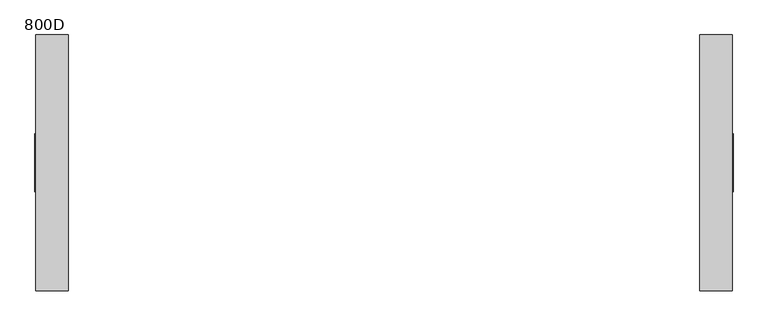
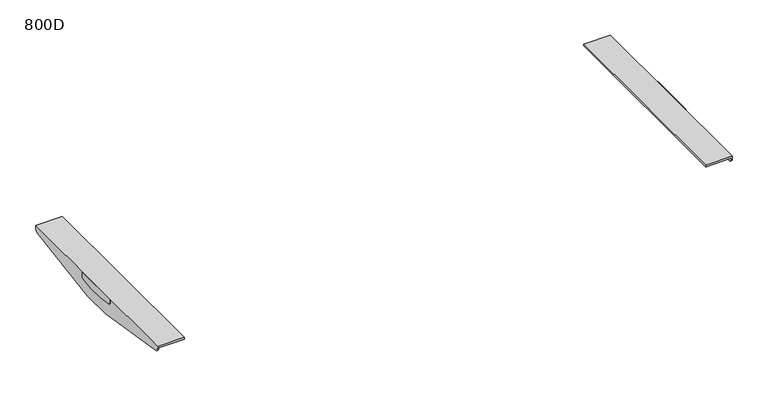
"""IFC4 building model written with IfcOpenShell, lengths in millimetres: furniture geometry, 800D."""

from ifc_helpers import new_model, si_unit, point, frame, frame_2d, origin, place, context, project, spatial, polyline, circle_curve, trimmed, segment, composite_curve, outline, extrude, source, transform, mapped, element, save
from ifc_brep_helpers import plane_surface, cylinder_surface, advanced_brep


def furniture_800d_0e24cc33(model_context):
    return source(origin(), model_context, "Body", "SolidModel", [
        advanced_brep(
        [(783.0000006, 287.4963324, 716.0), (783.0000006, 287.4963324, 708.4998128), (780.0000009, 287.4963324, 708.4998128), (780.0000009, 287.4963324, 710.4999723), (710.0000017, 287.4963324, 710.4999723), (710.0000017, 287.4963324, 716.0), (780.0000009, -287.5036993, 710.4999723), (780.0000009, -287.5036993, 708.4997591), (783.0000006, -287.5036993, 708.4997591), (783.0000006, -287.5036993, 716.0), (710.0000017, -287.5036993, 716.0), (710.0000017, -287.5036993, 710.4999723), (780.0000009, 279.1076002, 698.6304207), (780.0000009, 42.4967459, 660.0), (780.0000009, -42.5041219, 660.0), (780.0000009, -279.1150126, 698.6304207), (783.0000006, -279.1150126, 698.6304207), (783.0000006, -42.5041219, 660.0), (783.0000006, 42.4967459, 660.0), (783.0000006, 279.1076002, 698.6304207)],
        [
            (0, 1),
            (1, 2),
            (2, 3),
            (3, 4),
            (4, 5),
            (5, 0),
            (6, 7),
            (7, 8),
            (8, 9),
            (9, 10),
            (10, 11),
            (11, 6),
            (2, 12, circle_curve(frame((780.0000009, 277.4962677, 708.4998128), z_axis=(-1.0, 0.0, 0.0), x_axis=(0.0, -1.0, 0.0)), 10.0000647)),
            (12, 13),
            (13, 14),
            (14, 15),
            (15, 7, circle_curve(frame((780.0000009, -277.503689, 708.4997591), z_axis=(-1.0, 0.0, 0.0), x_axis=(0.0, -1.0, 0.0)), 10.0000103)),
            (6, 3),
            (11, 4),
            (10, 5),
            (9, 0),
            (8, 16, circle_curve(frame((783.0000006, -277.503689, 708.4997591), z_axis=(1.0, 0.0, 0.0), x_axis=(0.0, -1.0, 0.0)), 10.0000103)),
            (16, 17),
            (17, 18),
            (18, 19),
            (19, 1, circle_curve(frame((783.0000006, 277.4962677, 708.4998128), z_axis=(1.0, 0.0, 0.0), x_axis=(0.0, -1.0, 0.0)), 10.0000647)),
            (17, 14),
            (13, 18),
            (16, 15),
            (12, 19),
        ],
        [
            plane_surface(frame((783.0000006, 287.4963324, 660.0), z_axis=(0.0, 1.0, 0.0), x_axis=(1.0, 0.0, 0.0))),
            plane_surface(frame((783.0000006, -287.5036993, 660.0), z_axis=(0.0, -1.0, 0.0), x_axis=(-1.0, 0.0, 0.0))),
            plane_surface(frame((780.0000009, 287.4963324, 710.4999723), z_axis=(-1.0, 0.0, 0.0), x_axis=(0.0, -1.0, 0.0))),
            plane_surface(frame((710.0000017, 287.4963324, 710.4999723), z_axis=(0.0, 0.0, -1.0), x_axis=(0.0, -1.0, 0.0))),
            plane_surface(frame((710.0000017, 287.4963324, 716.0), z_axis=(-1.0, 0.0, 0.0), x_axis=(0.0, -1.0, 0.0))),
            plane_surface(frame((783.0000006, 287.4963324, 716.0), z_axis=(0.0, 0.0, 1.0), x_axis=(0.0, -1.0, 0.0))),
            plane_surface(frame((783.0000006, 287.4963324, 660.0), z_axis=(1.0, 0.0, 0.0), x_axis=(0.0, -1.0, 0.0))),
            plane_surface(frame((780.0000009, 287.4963324, 660.0), z_axis=(0.0, 0.0, -1.0), x_axis=(0.0, -1.0, 0.0))),
            plane_surface(frame((710.0000017, -42.5041219, 660.0), z_axis=(0.0, -0.16113218812194072, -0.9869328335560813), x_axis=(1.0, 0.0, 0.0))),
            cylinder_surface(frame((785.0, -277.503689, 708.4997591), z_axis=(1.0, 0.0, 0.0), x_axis=(0.0, -1.0, 0.0)), 10.0000103),
            plane_surface(frame((710.0000017, 279.1076002, 698.6304207), z_axis=(0.0, 0.16113221222328436, -0.9869328296211605), x_axis=(1.0, 0.0, 0.0))),
            cylinder_surface(frame((1200.0, 277.4962677, 708.4998128), z_axis=(1.0, 0.0, 0.0), x_axis=(0.0, -1.0, 0.0)), 10.0000647),
        ],
        [
            (0, [[1, 2, 3, 4, 5, 6]]),
            (1, [[7, 8, 9, 10, 11, 12]]),
            (2, [[-3, 13, 14, 15, 16, 17, -7, 18]]),
            (3, [[-18, -12, 19, -4]]),
            (4, [[-19, -11, 20, -5]]),
            (5, [[-20, -10, 21, -6]]),
            (6, [[-9, 22, 23, 24, 25, 26, -1, -21]]),
            (7, [[27, -15, 28, -24]]),
            (8, [[-16, -27, -23, 29]]),
            (9, [[-22, -8, -17, -29]]),
            (10, [[-25, -28, -14, 30]]),
            (11, [[-13, -2, -26, -30]]),
        ],
    ),
        extrude(outline(composite_curve([segment(polyline([(64.9962871, 716.0), (64.9962871, 705.7477915)]), True, "CONTINUOUS"), segment(trimmed(circle_curve(frame_2d((59.996269, 705.7477915)), 5.0000181), [point((64.9962871, 705.7477915))], [point((60.8043191, 700.8134996))], False, "CARTESIAN"), True, "CONTINUOUS"), segment(polyline([(60.8043191, 700.8134996), (21.9956935, 694.5405645), (-22.2562903, 694.5405645), (-60.8052275, 700.8531775)]), True, "CONTINUOUS"), segment(trimmed(circle_curve(frame_2d((-60.0513722, 705.7477915)), 4.9523271), [point((-60.8052275, 700.8531775))], [point((-65.0036994, 705.7477915))], False, "CARTESIAN"), True, "CONTINUOUS"), segment(polyline([(-65.0036994, 705.7477915), (-65.0036994, 716.0), (64.9962871, 716.0)]), True, "CONTINUOUS")], self_intersect=False)), frame((783.0000006, 0.0, 0.0), z_axis=(1.0, 0.0, 0.0), x_axis=(0.0, 1.0, 0.0)), (0.0, 0.0, 1.0), 1.9999994),
        advanced_brep(
        [(-780.0000009, 287.4963324, 710.4999723), (-780.0000009, 287.4963324, 708.4998128), (-783.0000006, 287.4963324, 708.4998128), (-783.0000006, 287.4963324, 716.0), (-710.0000017, 287.4963324, 716.0), (-710.0000017, 287.4963324, 710.4999723), (-783.0000006, -287.5036993, 716.0), (-783.0000006, -287.5036993, 708.4997591), (-780.0000009, -287.5036993, 708.4997591), (-780.0000009, -287.5036993, 710.4999723), (-710.0000017, -287.5036993, 710.4999723), (-710.0000017, -287.5036993, 716.0), (-780.0000009, -279.1150126, 698.6304207), (-780.0000009, -42.5041219, 660.0), (-780.0000009, 42.4967459, 660.0), (-780.0000009, 279.1076002, 698.6304207), (-783.0000006, 279.1076002, 698.6304207), (-783.0000006, 42.4967459, 660.0), (-783.0000006, -42.5041219, 660.0), (-783.0000006, -279.1150126, 698.6304207)],
        [
            (0, 1),
            (1, 2),
            (2, 3),
            (3, 4),
            (4, 5),
            (5, 0),
            (6, 7),
            (7, 8),
            (8, 9),
            (9, 10),
            (10, 11),
            (11, 6),
            (8, 12, circle_curve(frame((-780.0000009, -277.503689, 708.4997591), z_axis=(1.0, 0.0, 0.0), x_axis=(0.0, -1.0, 0.0)), 10.0000103)),
            (12, 13),
            (13, 14),
            (14, 15),
            (15, 1, circle_curve(frame((-780.0000009, 277.4962677, 708.4998128), z_axis=(1.0, 0.0, 0.0), x_axis=(0.0, -1.0, 0.0)), 10.0000647)),
            (0, 9),
            (5, 10),
            (4, 11),
            (3, 6),
            (2, 16, circle_curve(frame((-783.0000006, 277.4962677, 708.4998128), z_axis=(-1.0, 0.0, 0.0), x_axis=(0.0, -1.0, 0.0)), 10.0000647)),
            (16, 17),
            (17, 18),
            (18, 19),
            (19, 7, circle_curve(frame((-783.0000006, -277.503689, 708.4997591), z_axis=(-1.0, 0.0, 0.0), x_axis=(0.0, -1.0, 0.0)), 10.0000103)),
            (13, 18),
            (17, 14),
            (12, 19),
            (16, 15),
        ],
        [
            plane_surface(frame((-780.0000009, 287.4963324, 660.0), z_axis=(0.0, 1.0, 0.0), x_axis=(0.0, 0.0, 1.0))),
            plane_surface(frame((-780.0000009, -287.5036993, 660.0), z_axis=(0.0, -1.0, 0.0), x_axis=(0.0, 0.0, -1.0))),
            plane_surface(frame((-780.0000009, 287.4963324, 660.0), z_axis=(1.0, 0.0, 0.0), x_axis=(0.0, -1.0, 0.0))),
            plane_surface(frame((-780.0000009, 287.4963324, 710.4999723), z_axis=(0.0, 0.0, -1.0), x_axis=(0.0, -1.0, 0.0))),
            plane_surface(frame((-710.0000017, 287.4963324, 710.4999723), z_axis=(1.0, 0.0, 0.0), x_axis=(0.0, -1.0, 0.0))),
            plane_surface(frame((-710.0000017, 287.4963324, 716.0), z_axis=(0.0, 0.0, 1.0), x_axis=(0.0, -1.0, 0.0))),
            plane_surface(frame((-783.0000006, 287.4963324, 716.0), z_axis=(-1.0, 0.0, 0.0), x_axis=(0.0, -1.0, 0.0))),
            plane_surface(frame((-783.0000006, 287.4963324, 660.0), z_axis=(0.0, 0.0, -1.0), x_axis=(0.0, -1.0, 0.0))),
            plane_surface(frame((-710.0000017, -279.1150126, 698.6304207), z_axis=(0.0, -0.16113218812194124, -0.9869328335560812), x_axis=(-1.0, 0.0, 0.0))),
            cylinder_surface(frame((-783.0000006, -277.503689, 708.4997591), z_axis=(-1.0, 0.0, 0.0), x_axis=(0.0, -1.0, 0.0)), 10.0000103),
            plane_surface(frame((-710.0000017, 42.4967459, 660.0), z_axis=(0.0, 0.16113221222328436, -0.9869328296211605), x_axis=(-1.0, 0.0, 0.0))),
            cylinder_surface(frame((0.0, 277.4962677, 708.4998128), z_axis=(-1.0, 0.0, 0.0), x_axis=(0.0, -1.0, 0.0)), 10.0000647),
        ],
        [
            (0, [[1, 2, 3, 4, 5, 6]]),
            (1, [[7, 8, 9, 10, 11, 12]]),
            (2, [[-9, 13, 14, 15, 16, 17, -1, 18]]),
            (3, [[19, -10, -18, -6]]),
            (4, [[20, -11, -19, -5]]),
            (5, [[21, -12, -20, -4]]),
            (6, [[-3, 22, 23, 24, 25, 26, -7, -21]]),
            (7, [[27, -24, 28, -15]]),
            (8, [[-25, -27, -14, 29]]),
            (9, [[-13, -8, -26, -29]]),
            (10, [[-16, -28, -23, 30]]),
            (11, [[-22, -2, -17, -30]]),
        ],
    ),
        extrude(outline(composite_curve([segment(polyline([(64.9962871, 716.0), (64.9962871, 705.7477915)]), True, "CONTINUOUS"), segment(trimmed(circle_curve(frame_2d((59.996269, 705.7477915)), 5.0000181), [point((64.9962871, 705.7477915))], [point((60.8043191, 700.8134996))], False, "CARTESIAN"), True, "CONTINUOUS"), segment(polyline([(60.8043191, 700.8134996), (21.9956935, 694.5405645), (-22.2562903, 694.5405645), (-60.8052275, 700.8531775)]), True, "CONTINUOUS"), segment(trimmed(circle_curve(frame_2d((-60.0513722, 705.7477915)), 4.9523271), [point((-60.8052275, 700.8531775))], [point((-65.0036994, 705.7477915))], False, "CARTESIAN"), True, "CONTINUOUS"), segment(polyline([(-65.0036994, 705.7477915), (-65.0036994, 716.0), (64.9962871, 716.0)]), True, "CONTINUOUS")], self_intersect=False)), frame((-785.0, 0.0, 0.0), z_axis=(1.0, 0.0, 0.0), x_axis=(0.0, 1.0, 0.0)), (0.0, 0.0, 1.0), 1.9999994),
    ])


if __name__ == "__main__":
    model = new_model("IFC4")
    model_context = context("Model", 3, world=origin())
    ifc_project = project(units=[si_unit("LENGTHUNIT", "METRE", prefix="MILLI")], contexts=[model_context])
    site = spatial("IfcSite", under=ifc_project)
    building = spatial("IfcBuilding", under=site)
    placement = place(None, origin())
    furniture_800d_shape = furniture_800d_0e24cc33(model_context)
    element("IfcFurniture", 1, ObjectType="800D", at=placement, inside=building, context=model_context, shape_type="MappedRepresentation", body=[
        mapped(furniture_800d_shape, transform((0.0, 0.0, 0.0), x_axis=(1.0, 0.0, 0.0), y_axis=(0.0, 1.0, 0.0), z_axis=(0.0, 0.0, 1.0))),
    ])
    save(model, "model.ifc")
